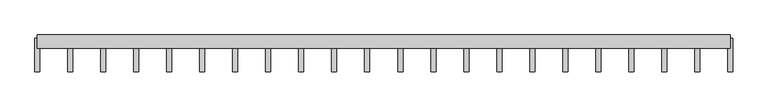
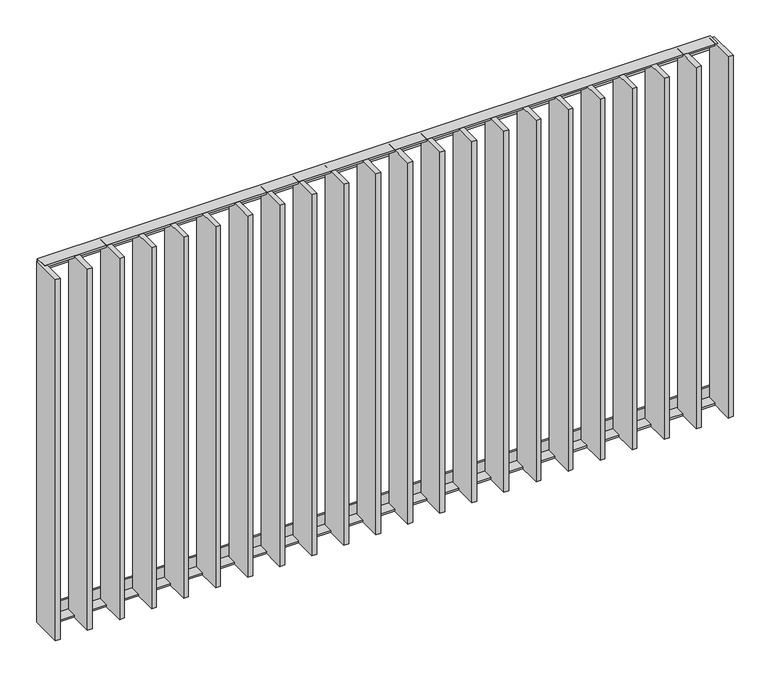
"""IFC4 building model written with IfcOpenShell, lengths in millimetres: railing geometry."""

from ifc_helpers import new_model, si_unit, frame, origin, place, context, project, spatial, polyline, outline, extrude, source, transform, mapped, element, save


def railing_60ea7442(model_context):
    return source(origin(), model_context, "Body", "SweptSolid", [
        extrude(outline(polyline([(14.0, -6.0), (-20.0, -6.0), (-20.0, 0.0), (20.0, 0.0), (20.0, -40.0), (14.0, -40.0), (14.0, -6.0)])), frame((4609.5112278, 21370.9194272, 8000.0), z_axis=(1.0, 4.964529300475387e-12, 0.0), x_axis=(-4.964529300475387e-12, 1.0, 0.0)), (0.0, 0.0, 1.0), 2080.0),
        extrude(outline(polyline([(14.0, 6.0), (14.0, 40.0), (20.0, 40.0), (20.0, 0.0), (-20.0, 0.0), (-20.0, 6.0), (14.0, 6.0)])), frame((4609.5112278, 21370.9194272, 6820.0), z_axis=(1.0, 4.964529300475387e-12, 0.0), x_axis=(-4.964529300475387e-12, 1.0, 0.0)), (0.0, 0.0, 1.0), 2080.0),
        extrude(outline(polyline([(6582.9636088, 21380.9194272), (6597.9636088, 21380.9194272), (6597.9636088, 21280.9194272), (6582.9636088, 21280.9194272), (6582.9636088, 21380.9194272)])), frame((0.0, 0.0, 6819.9), z_axis=(0.0, 0.0, 1.0), x_axis=(1.0, 0.0, 0.0)), (0.0, 0.0, 1.0), 1180.2),
        extrude(outline(polyline([(6483.9159897, 21380.9194272), (6498.9159897, 21380.9194272), (6498.9159897, 21280.9194272), (6483.9159897, 21280.9194272), (6483.9159897, 21380.9194272)])), frame((0.0, 0.0, 6819.9), z_axis=(0.0, 0.0, 1.0), x_axis=(1.0, 0.0, 0.0)), (0.0, 0.0, 1.0), 1180.2),
        extrude(outline(polyline([(6384.8683707, 21380.9194272), (6399.8683707, 21380.9194272), (6399.8683707, 21280.9194272), (6384.8683707, 21280.9194272), (6384.8683707, 21380.9194272)])), frame((0.0, 0.0, 6819.9), z_axis=(0.0, 0.0, 1.0), x_axis=(1.0, 0.0, 0.0)), (0.0, 0.0, 1.0), 1180.2),
        extrude(outline(polyline([(6285.8207516, 21380.9194272), (6300.8207516, 21380.9194272), (6300.8207516, 21280.9194272), (6285.8207516, 21280.9194272), (6285.8207516, 21380.9194272)])), frame((0.0, 0.0, 6819.9), z_axis=(0.0, 0.0, 1.0), x_axis=(1.0, 0.0, 0.0)), (0.0, 0.0, 1.0), 1180.2),
        extrude(outline(polyline([(6186.7731326, 21380.9194272), (6201.7731326, 21380.9194272), (6201.7731326, 21280.9194272), (6186.7731326, 21280.9194272), (6186.7731326, 21380.9194272)])), frame((0.0, 0.0, 6819.9), z_axis=(0.0, 0.0, 1.0), x_axis=(1.0, 0.0, 0.0)), (0.0, 0.0, 1.0), 1180.2),
        extrude(outline(polyline([(6087.7255135, 21380.9194272), (6102.7255135, 21380.9194272), (6102.7255135, 21280.9194272), (6087.7255135, 21280.9194272), (6087.7255135, 21380.9194272)])), frame((0.0, 0.0, 6819.9), z_axis=(0.0, 0.0, 1.0), x_axis=(1.0, 0.0, 0.0)), (0.0, 0.0, 1.0), 1180.2),
        extrude(outline(polyline([(5988.6778945, 21380.9194272), (6003.6778945, 21380.9194272), (6003.6778945, 21280.9194272), (5988.6778945, 21280.9194272), (5988.6778945, 21380.9194272)])), frame((0.0, 0.0, 6819.9), z_axis=(0.0, 0.0, 1.0), x_axis=(1.0, 0.0, 0.0)), (0.0, 0.0, 1.0), 1180.2),
        extrude(outline(polyline([(5889.6302754, 21380.9194272), (5904.6302754, 21380.9194272), (5904.6302754, 21280.9194272), (5889.6302754, 21280.9194272), (5889.6302754, 21380.9194272)])), frame((0.0, 0.0, 6819.9), z_axis=(0.0, 0.0, 1.0), x_axis=(1.0, 0.0, 0.0)), (0.0, 0.0, 1.0), 1180.2),
        extrude(outline(polyline([(5790.5826564, 21380.9194272), (5805.5826564, 21380.9194272), (5805.5826564, 21280.9194272), (5790.5826564, 21280.9194272), (5790.5826564, 21380.9194272)])), frame((0.0, 0.0, 6819.9), z_axis=(0.0, 0.0, 1.0), x_axis=(1.0, 0.0, 0.0)), (0.0, 0.0, 1.0), 1180.2),
        extrude(outline(polyline([(5691.5350373, 21380.9194272), (5706.5350373, 21380.9194272), (5706.5350373, 21280.9194272), (5691.5350373, 21280.9194272), (5691.5350373, 21380.9194272)])), frame((0.0, 0.0, 6819.9), z_axis=(0.0, 0.0, 1.0), x_axis=(1.0, 0.0, 0.0)), (0.0, 0.0, 1.0), 1180.2),
        extrude(outline(polyline([(5592.4874183, 21380.9194272), (5607.4874183, 21380.9194272), (5607.4874183, 21280.9194272), (5592.4874183, 21280.9194272), (5592.4874183, 21380.9194272)])), frame((0.0, 0.0, 6819.9), z_axis=(0.0, 0.0, 1.0), x_axis=(1.0, 0.0, 0.0)), (0.0, 0.0, 1.0), 1180.2),
        extrude(outline(polyline([(5493.4397992, 21380.9194272), (5508.4397992, 21380.9194272), (5508.4397992, 21280.9194272), (5493.4397992, 21280.9194272), (5493.4397992, 21380.9194272)])), frame((0.0, 0.0, 6819.9), z_axis=(0.0, 0.0, 1.0), x_axis=(1.0, 0.0, 0.0)), (0.0, 0.0, 1.0), 1180.2),
        extrude(outline(polyline([(5394.3921802, 21380.9194272), (5409.3921802, 21380.9194272), (5409.3921802, 21280.9194272), (5394.3921802, 21280.9194272), (5394.3921802, 21380.9194272)])), frame((0.0, 0.0, 6819.9), z_axis=(0.0, 0.0, 1.0), x_axis=(1.0, 0.0, 0.0)), (0.0, 0.0, 1.0), 1180.2),
        extrude(outline(polyline([(5295.3445611, 21380.9194272), (5310.3445611, 21380.9194272), (5310.3445611, 21280.9194272), (5295.3445611, 21280.9194272), (5295.3445611, 21380.9194272)])), frame((0.0, 0.0, 6819.9), z_axis=(0.0, 0.0, 1.0), x_axis=(1.0, 0.0, 0.0)), (0.0, 0.0, 1.0), 1180.2),
        extrude(outline(polyline([(5196.2969421, 21380.9194272), (5211.2969421, 21380.9194272), (5211.2969421, 21280.9194272), (5196.2969421, 21280.9194272), (5196.2969421, 21380.9194272)])), frame((0.0, 0.0, 6819.9), z_axis=(0.0, 0.0, 1.0), x_axis=(1.0, 0.0, 0.0)), (0.0, 0.0, 1.0), 1180.2),
        extrude(outline(polyline([(5097.249323, 21380.9194272), (5112.249323, 21380.9194272), (5112.249323, 21280.9194272), (5097.249323, 21280.9194272), (5097.249323, 21380.9194272)])), frame((0.0, 0.0, 6819.9), z_axis=(0.0, 0.0, 1.0), x_axis=(1.0, 0.0, 0.0)), (0.0, 0.0, 1.0), 1180.2),
        extrude(outline(polyline([(4998.201704, 21380.9194272), (5013.201704, 21380.9194272), (5013.201704, 21280.9194272), (4998.201704, 21280.9194272), (4998.201704, 21380.9194272)])), frame((0.0, 0.0, 6819.9), z_axis=(0.0, 0.0, 1.0), x_axis=(1.0, 0.0, 0.0)), (0.0, 0.0, 1.0), 1180.2),
        extrude(outline(polyline([(4899.1540849, 21380.9194272), (4914.1540849, 21380.9194272), (4914.1540849, 21280.9194272), (4899.1540849, 21280.9194272), (4899.1540849, 21380.9194272)])), frame((0.0, 0.0, 6819.9), z_axis=(0.0, 0.0, 1.0), x_axis=(1.0, 0.0, 0.0)), (0.0, 0.0, 1.0), 1180.2),
        extrude(outline(polyline([(4800.1064659, 21380.9194272), (4815.1064659, 21380.9194272), (4815.1064659, 21280.9194272), (4800.1064659, 21280.9194272), (4800.1064659, 21380.9194272)])), frame((0.0, 0.0, 6819.9), z_axis=(0.0, 0.0, 1.0), x_axis=(1.0, 0.0, 0.0)), (0.0, 0.0, 1.0), 1180.2),
        extrude(outline(polyline([(4701.0588469, 21380.9194272), (4716.0588469, 21380.9194272), (4716.0588469, 21280.9194272), (4701.0588469, 21280.9194272), (4701.0588469, 21380.9194272)])), frame((0.0, 0.0, 6819.9), z_axis=(0.0, 0.0, 1.0), x_axis=(1.0, 0.0, 0.0)), (0.0, 0.0, 1.0), 1180.2),
        extrude(outline(polyline([(6682.0112278, 21380.9194272), (6697.0112278, 21380.9194272), (6697.0112278, 21280.9194272), (6682.0112278, 21280.9194272), (6682.0112278, 21380.9194272)])), frame((0.0, 0.0, 6819.9), z_axis=(0.0, 0.0, 1.0), x_axis=(1.0, 0.0, 0.0)), (0.0, 0.0, 1.0), 1180.2),
        extrude(outline(polyline([(4602.0112278, 21380.9194272), (4617.0112278, 21380.9194272), (4617.0112278, 21280.9194272), (4602.0112278, 21280.9194272), (4602.0112278, 21380.9194272)])), frame((0.0, 0.0, 6819.9), z_axis=(0.0, 0.0, 1.0), x_axis=(1.0, 0.0, 0.0)), (0.0, 0.0, 1.0), 1180.2),
    ])


if __name__ == "__main__":
    model = new_model("IFC4")
    model_context = context("Model", 3, world=origin())
    ifc_project = project(units=[si_unit("LENGTHUNIT", "METRE", prefix="MILLI")], contexts=[model_context])
    site = spatial("IfcSite", under=ifc_project)
    building = spatial("IfcBuilding", under=site)
    placement = place(None, origin())
    railing_shape = railing_60ea7442(model_context)
    element("IfcRailing", 1, at=placement, inside=building, context=model_context, shape_type="MappedRepresentation", body=[
        mapped(railing_shape, transform((0.0, 0.0, 0.0), x_axis=(1.0, 0.0, 0.0), y_axis=(0.0, 1.0, 0.0), z_axis=(0.0, 0.0, 1.0))),
    ])
    save(model, "model.ifc")
